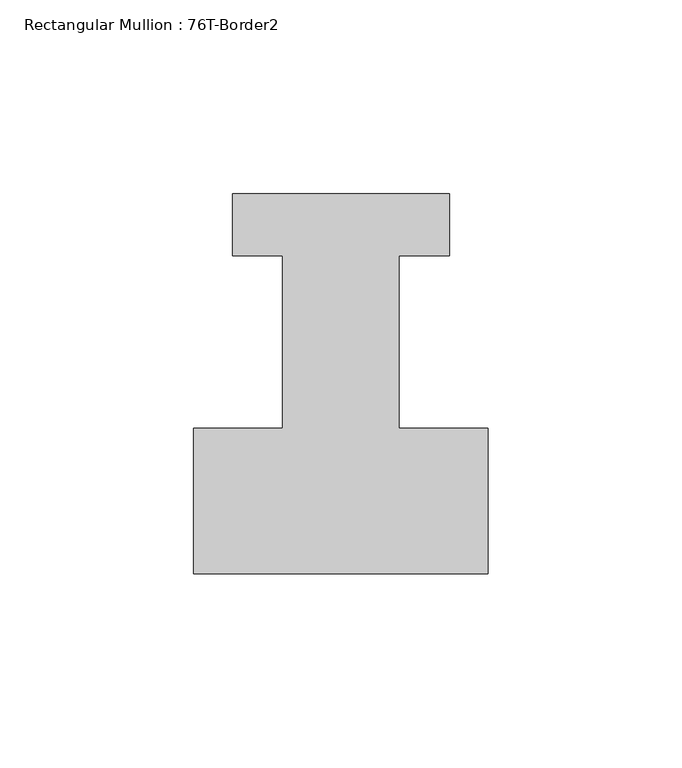
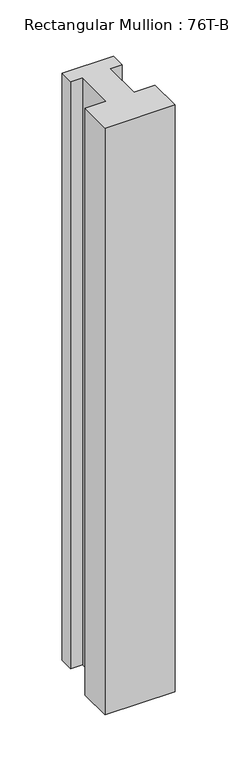
"""IFC4 building model written with IfcOpenShell, lengths in millimetres: member geometry, Rectangular Mullion : 76T-Border2."""

from ifc_helpers import new_model, si_unit, frame, origin, place, context, project, spatial, polyline, outline, extrude, source, transform, mapped, element, save


def rectangular_mullion_76t_border2_28d9ade8(model_context):
    return source(origin(), model_context, "Body", "SweptSolid", [
        extrude(outline(polyline([(0.0, -38.0), (-76.0, -38.0), (-76.0, -0.5), (-53.0, -0.5), (-53.0, 44.0), (-66.0, 44.0), (-66.0, 60.0), (-10.0, 60.0), (-10.0, 44.0), (-23.0, 44.0), (-23.0, -0.5), (0.0, -0.5), (0.0, -38.0)])), frame((0.0, 0.0, -674.0), z_axis=(0.0, 0.0, 1.0), x_axis=(1.0, 0.0, 0.0)), (0.0, 0.0, 1.0), 674.0),
    ])


if __name__ == "__main__":
    model = new_model("IFC4")
    model_context = context("Model", 3, world=origin())
    ifc_project = project(units=[si_unit("LENGTHUNIT", "METRE", prefix="MILLI")], contexts=[model_context])
    site = spatial("IfcSite", under=ifc_project)
    building = spatial("IfcBuilding", under=site)
    placement = place(None, origin())
    rectangular_mullion_76t_border2_shape = rectangular_mullion_76t_border2_28d9ade8(model_context)
    element("IfcMember", 1, ObjectType="Rectangular Mullion : 76T-Border2", at=placement, inside=building, context=model_context, shape_type="MappedRepresentation", body=[
        mapped(rectangular_mullion_76t_border2_shape, transform((0.0, 0.0, 0.0), x_axis=(1.0, 0.0, 0.0), y_axis=(0.0, 1.0, 0.0), z_axis=(0.0, 0.0, 1.0))),
    ])
    save(model, "model.ifc")
